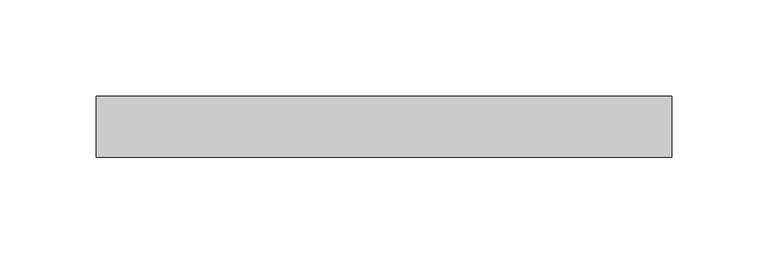
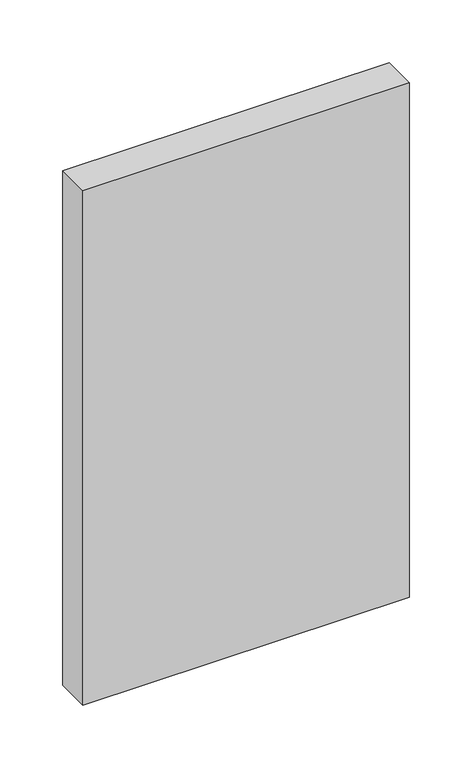
"""IFC4 building model written with IfcOpenShell, lengths in millimetres: plate geometry."""

from ifc_helpers import new_model, si_unit, origin, origin_with_axes, place, context, project, spatial, polyline, outline, extrude, source, transform, mapped, element, save


def plate_933c82af(model_context):
    return source(origin(), model_context, "Body", "SweptSolid", [
        extrude(outline(polyline([(149.9999998, 0.0), (-149.9999998, 0.0), (-149.9999998, 32.0), (149.9999998, 32.0), (149.9999998, 0.0)])), origin_with_axes(), (0.0, 0.0, 1.0), 500.0),
    ])


if __name__ == "__main__":
    model = new_model("IFC4")
    model_context = context("Model", 3, world=origin())
    ifc_project = project(units=[si_unit("LENGTHUNIT", "METRE", prefix="MILLI")], contexts=[model_context])
    site = spatial("IfcSite", under=ifc_project)
    building = spatial("IfcBuilding", under=site)
    placement = place(None, origin())
    plate_shape = plate_933c82af(model_context)
    element("IfcPlate", 1, at=placement, inside=building, context=model_context, shape_type="MappedRepresentation", body=[
        mapped(plate_shape, transform((0.0, 0.0, 0.0), x_axis=(1.0, 0.0, 0.0), y_axis=(0.0, 1.0, 0.0), z_axis=(0.0, 0.0, 1.0))),
    ])
    save(model, "model.ifc")
